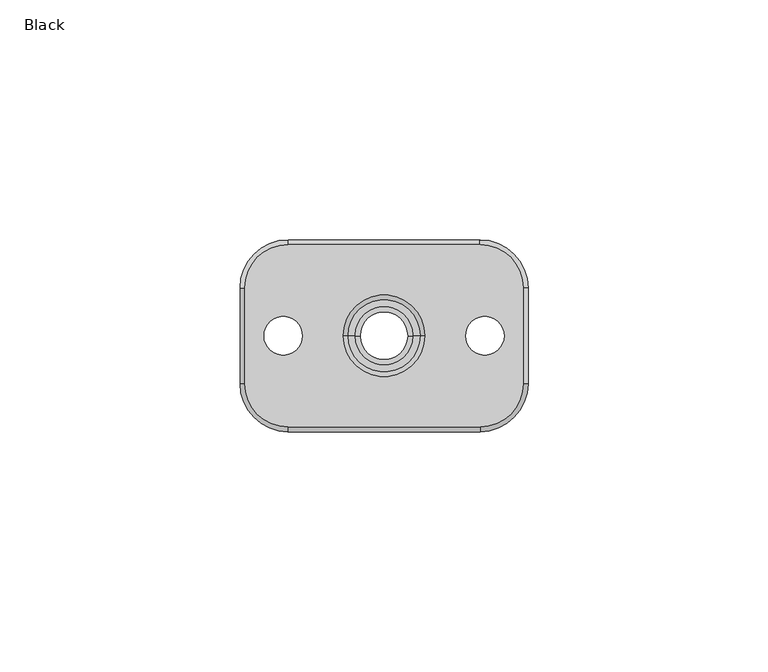
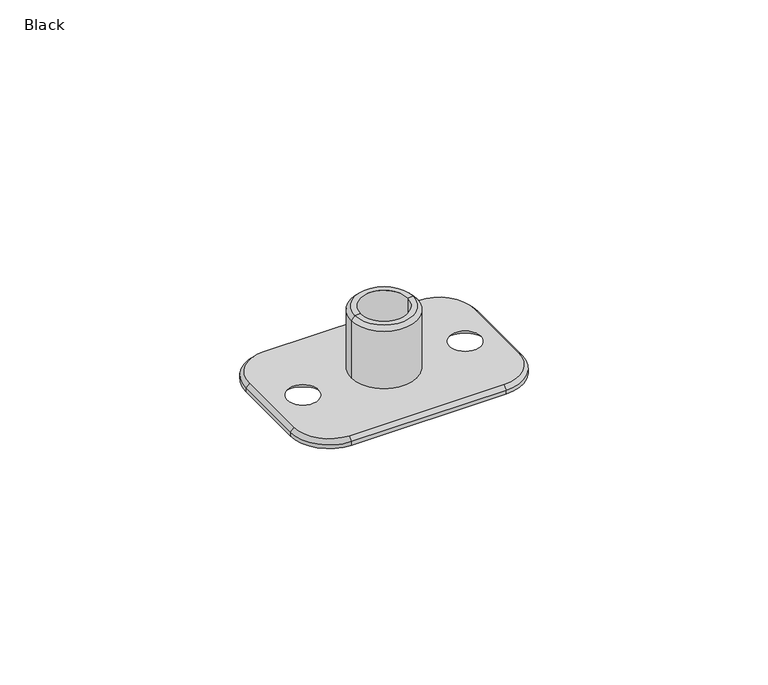
"""IFC4 building model written with IfcOpenShell, lengths in millimetres: proxy geometry, Black."""

from ifc_helpers import new_model, si_unit, frame, origin, place, context, project, spatial, polyline, circle_curve, source, transform, mapped, element, save
from ifc_brep_helpers import plane_surface, cylinder_surface, revolved_surface, advanced_brep


def black_4573cb2e(model_context):
    return source(origin(), model_context, "Body", "AdvancedBrep", [
        advanced_brep(
        [(-29.0, -10.0, 0.0), (-20.0, -19.0, 0.0), (20.0, -19.0, 0.0), (29.0, -10.0, 0.0), (29.0, 10.0, 0.0), (20.0, 19.0, 0.0), (-20.0, 19.0, 0.0), (-29.0, 10.0, 0.0), (5.0, 0.0, 0.0), (-5.0, 0.0, 0.0), (-25.0, 0.0, 0.0), (-17.0, 0.0, 0.0), (17.0, 0.0, 0.0), (25.0, 0.0, 0.0), (20.0, -20.0, -2.0), (-20.0, -20.0, -2.0), (-30.0, -10.0, -2.0), (-30.0, 10.0, -2.0), (-20.0, 20.0, -2.0), (20.0, 20.0, -2.0), (30.0, 10.0, -2.0), (30.0, -10.0, -2.0), (-5.0, 0.0, -2.0), (5.0, 0.0, -2.0), (-15.0, 0.0, -2.0), (-27.0, 0.0, -2.0), (27.0, 0.0, -2.0), (15.0, 0.0, -2.0), (30.0, -10.0, -1.0), (20.0, -20.0, -1.0), (30.0, 10.0, -1.0), (20.0, 20.0, -1.0), (-20.0, 20.0, -1.0), (-30.0, 10.0, -1.0), (-30.0, -10.0, -1.0), (-20.0, -20.0, -1.0)],
        [
            (0, 1, circle_curve(frame((-20.0, -10.0, 0.0), z_axis=(0.0, 0.0, 1.0), x_axis=(-1.0, 0.0, 0.0)), 9.0)),
            (1, 2),
            (2, 3, circle_curve(frame((20.0, -10.0, 0.0), z_axis=(0.0, 0.0, 1.0), x_axis=(0.0, -1.0, 0.0)), 9.0)),
            (3, 4),
            (4, 5, circle_curve(frame((20.0, 10.0, 0.0), z_axis=(0.0, 0.0, 1.0), x_axis=(1.0, 0.0, 0.0)), 9.0)),
            (5, 6),
            (6, 7, circle_curve(frame((-20.0, 10.0, 0.0), z_axis=(0.0, 0.0, 1.0), x_axis=(0.0, 1.0, 0.0)), 9.0)),
            (7, 0),
            (8, 9, circle_curve(frame((0.0, 0.0, 0.0), z_axis=(0.0, 0.0, -1.0), x_axis=(1.0, 0.0, 0.0)), 5.0)),
            (9, 8, circle_curve(frame((0.0, 0.0, 0.0), z_axis=(0.0, 0.0, -1.0), x_axis=(1.0, 0.0, 0.0)), 5.0)),
            (10, 11, circle_curve(frame((-21.0, 0.0, 0.0), z_axis=(0.0, 0.0, -1.0), x_axis=(-1.0, 0.0, 0.0)), 4.0)),
            (11, 10, circle_curve(frame((-21.0, 0.0, 0.0), z_axis=(0.0, 0.0, -1.0), x_axis=(-1.0, 0.0, 0.0)), 4.0)),
            (12, 13, circle_curve(frame((21.0, 0.0, 0.0), z_axis=(0.0, 0.0, -1.0), x_axis=(1.0, 0.0, 0.0)), 4.0)),
            (13, 12, circle_curve(frame((21.0, 0.0, 0.0), z_axis=(0.0, 0.0, -1.0), x_axis=(1.0, 0.0, 0.0)), 4.0)),
            (14, 15),
            (15, 16, circle_curve(frame((-20.0, -10.0, -2.0), z_axis=(0.0, 0.0, -1.0), x_axis=(1.0, 0.0, 0.0)), 10.0)),
            (16, 17),
            (17, 18, circle_curve(frame((-20.0, 10.0, -2.0), z_axis=(0.0, 0.0, -1.0), x_axis=(1.0, 0.0, 0.0)), 10.0)),
            (18, 19),
            (19, 20, circle_curve(frame((20.0, 10.0, -2.0), z_axis=(0.0, 0.0, -1.0), x_axis=(1.0, 0.0, 0.0)), 10.0)),
            (20, 21),
            (21, 14, circle_curve(frame((20.0, -10.0, -2.0), z_axis=(0.0, 0.0, -1.0), x_axis=(1.0, 0.0, 0.0)), 10.0)),
            (22, 23, circle_curve(frame((0.0, 0.0, -2.0), z_axis=(0.0, 0.0, 1.0), x_axis=(1.0, 0.0, 0.0)), 5.0)),
            (23, 22, circle_curve(frame((0.0, 0.0, -2.0), z_axis=(0.0, 0.0, 1.0), x_axis=(1.0, 0.0, 0.0)), 5.0)),
            (24, 25, circle_curve(frame((-21.0, 0.0, -2.0), z_axis=(0.0, 0.0, 1.0), x_axis=(-1.0, 0.0, 0.0)), 6.0)),
            (25, 24, circle_curve(frame((-21.0, 0.0, -2.0), z_axis=(0.0, 0.0, 1.0), x_axis=(-1.0, 0.0, 0.0)), 6.0)),
            (26, 27, circle_curve(frame((21.0, 0.0, -2.0), z_axis=(0.0, 0.0, 1.0), x_axis=(1.0, 0.0, 0.0)), 6.0)),
            (27, 26, circle_curve(frame((21.0, 0.0, -2.0), z_axis=(0.0, 0.0, 1.0), x_axis=(1.0, 0.0, 0.0)), 6.0)),
            (21, 28),
            (28, 29, circle_curve(frame((20.0, -10.0, -1.0), z_axis=(0.0, 0.0, -1.0), x_axis=(1.0, 0.0, 0.0)), 10.0)),
            (29, 14),
            (20, 30),
            (30, 28),
            (19, 31),
            (31, 30, circle_curve(frame((20.0, 10.0, -1.0), z_axis=(0.0, 0.0, -1.0), x_axis=(1.0, 0.0, 0.0)), 10.0)),
            (18, 32),
            (32, 31),
            (17, 33),
            (33, 32, circle_curve(frame((-20.0, 10.0, -1.0), z_axis=(0.0, 0.0, -1.0), x_axis=(1.0, 0.0, 0.0)), 10.0)),
            (16, 34),
            (34, 33),
            (15, 35),
            (35, 34, circle_curve(frame((-20.0, -10.0, -1.0), z_axis=(0.0, 0.0, -1.0), x_axis=(1.0, 0.0, 0.0)), 10.0)),
            (29, 35),
            (8, 23),
            (22, 9),
            (24, 11),
            (10, 25),
            (12, 27),
            (26, 13),
            (35, 1),
            (0, 34),
            (29, 2),
            (28, 3),
            (30, 4),
            (31, 5),
            (32, 6),
            (33, 7),
        ],
        [
            plane_surface(frame((30.0, -10.0, 0.0), z_axis=(0.0, 0.0, 1.0), x_axis=(0.0, 1.0, 0.0))),
            plane_surface(frame((30.0, -10.0, -2.0), z_axis=(0.0, 0.0, -1.0), x_axis=(0.0, -1.0, 0.0))),
            cylinder_surface(frame((20.0, -10.0, -2.0), z_axis=(0.0, 0.0, 1.0), x_axis=(1.0, 0.0, 0.0)), 10.0),
            plane_surface(frame((30.0, -10.0, 0.0), z_axis=(1.0, 0.0, 0.0), x_axis=(0.0, 0.0, -1.0))),
            cylinder_surface(frame((20.0, 10.0, -2.0), z_axis=(0.0, 0.0, 1.0), x_axis=(1.0, 0.0, 0.0)), 10.0),
            plane_surface(frame((20.0, 20.0, 0.0), z_axis=(0.0, 1.0, 0.0), x_axis=(0.0, 0.0, -1.0))),
            cylinder_surface(frame((-20.0, 10.0, -2.0), z_axis=(0.0, 0.0, 1.0), x_axis=(1.0, 0.0, 0.0)), 10.0),
            plane_surface(frame((-30.0, 10.0, 0.0), z_axis=(-1.0, 0.0, 0.0), x_axis=(0.0, 0.0, -1.0))),
            cylinder_surface(frame((-20.0, -10.0, -2.0), z_axis=(0.0, 0.0, 1.0), x_axis=(1.0, 0.0, 0.0)), 10.0),
            plane_surface(frame((-20.0, -20.0, 0.0), z_axis=(0.0, -1.0, 0.0), x_axis=(0.0, 0.0, -1.0))),
            revolved_surface(polyline([(5.0, 0.0, 0.0), (5.0, 0.0, -2.0)]), (0.0, 0.0, -2.0), (0.0, 0.0, 1.0)),
            revolved_surface(polyline([(-27.0, 0.0, -2.0), (-25.0, 0.0, 0.0)]), (-21.0, 0.0, 0.0), (0.0, 0.0, -1.0)),
            revolved_surface(polyline([(25.0, 0.0, 0.0), (27.0, 0.0, -2.0)]), (21.0, 0.0, 0.0), (0.0, 0.0, 1.0)),
            revolved_surface(polyline([(-30.0, -10.0, -1.0), (-29.0, -10.0, 0.0)]), (-20.0, -10.0, 0.0), (0.0, 0.0, 1.0)),
            plane_surface(frame((-20.0, -19.0, 0.0), z_axis=(0.0, -0.7071067811865466, 0.7071067811865485), x_axis=(1.0, 0.0, 0.0))),
            revolved_surface(polyline([(20.0, -20.0, -1.0), (20.0, -19.0, 0.0)]), (20.0, -10.0, 0.0), (0.0, 0.0, 1.0)),
            plane_surface(frame((29.0, -10.0, 0.0), z_axis=(0.7071067811865466, 0.0, 0.7071067811865485), x_axis=(0.0, 1.0, 0.0))),
            revolved_surface(polyline([(30.0, 10.0, -1.0), (29.0, 10.0, 0.0)]), (20.0, 10.0, 0.0), (0.0, 0.0, 1.0)),
            plane_surface(frame((20.0, 19.0, 0.0), z_axis=(0.0, 0.7071067811865466, 0.7071067811865485), x_axis=(-1.0, 0.0, 0.0))),
            revolved_surface(polyline([(-20.0, 20.0, -1.0), (-20.0, 19.0, 0.0)]), (-20.0, 10.0, 0.0), (0.0, 0.0, 1.0)),
            plane_surface(frame((-29.0, 10.0, 0.0), z_axis=(-0.7071067811865466, 0.0, 0.7071067811865485), x_axis=(0.0, -1.0, 0.0))),
        ],
        [
            (0, [[1, 2, 3, 4, 5, 6, 7, 8], [9, 10], [11, 12], [13, 14]]),
            (1, [[15, 16, 17, 18, 19, 20, 21, 22], [23, 24], [25, 26], [27, 28]]),
            (2, [[-22, 29, 30, 31]]),
            (3, [[-21, 32, 33, -29]]),
            (4, [[-20, 34, 35, -32]]),
            (5, [[-19, 36, 37, -34]]),
            (6, [[-18, 38, 39, -36]]),
            (7, [[-17, 40, 41, -38]]),
            (8, [[-16, 42, 43, -40]]),
            (9, [[-15, -31, 44, -42]]),
            (10, [[45, -23, 46, -9]]),
            (10, [[-45, -10, -46, -24]]),
            (11, [[47, -11, 48, -25]]),
            (11, [[-47, -26, -48, -12]]),
            (12, [[49, -27, 50, -13]]),
            (12, [[-49, -14, -50, -28]]),
            (13, [[51, -1, 52, -43]]),
            (14, [[-51, -44, 53, -2]]),
            (15, [[-53, -30, 54, -3]]),
            (16, [[-54, -33, 55, -4]]),
            (17, [[-55, -35, 56, -5]]),
            (18, [[-56, -37, 57, -6]]),
            (19, [[-57, -39, 58, -7]]),
            (20, [[-52, -8, -58, -41]]),
        ],
    ),
        advanced_brep(
        [(6.1, 0.0, -2.0), (-6.1, 0.0, -2.0), (-6.1, 0.0, 4.0), (6.1, 0.0, 4.0), (8.0, 0.0, -2.0), (-8.0, 0.0, -2.0), (8.0, 0.0, -3.0), (-8.0, 0.0, -3.0), (5.0, 0.0, -3.0), (-5.0, 0.0, -3.0), (5.0, 0.0, 4.0), (-5.0, 0.0, 4.0)],
        [
            (0, 1, circle_curve(frame((0.0, 0.0, -2.0), z_axis=(0.0, 0.0, 1.0), x_axis=(-1.0, 0.0, 0.0)), 6.1)),
            (1, 2),
            (2, 3, circle_curve(frame((0.0, 0.0, 4.0), z_axis=(0.0, 0.0, -1.0), x_axis=(-1.0, 0.0, 0.0)), 6.1)),
            (3, 0),
            (1, 0, circle_curve(frame((0.0, 0.0, -2.0), z_axis=(0.0, 0.0, 1.0), x_axis=(-1.0, 0.0, 0.0)), 6.1)),
            (3, 2, circle_curve(frame((0.0, 0.0, 4.0), z_axis=(0.0, 0.0, -1.0), x_axis=(-1.0, 0.0, 0.0)), 6.1)),
            (4, 5, circle_curve(frame((0.0, 0.0, -2.0), z_axis=(0.0, 0.0, 1.0), x_axis=(-1.0, 0.0, 0.0)), 8.0)),
            (5, 1),
            (0, 4),
            (5, 4, circle_curve(frame((0.0, 0.0, -2.0), z_axis=(0.0, 0.0, 1.0), x_axis=(-1.0, 0.0, 0.0)), 8.0)),
            (6, 7, circle_curve(frame((0.0, 0.0, -3.0), z_axis=(0.0, 0.0, 1.0), x_axis=(-1.0, 0.0, 0.0)), 8.0)),
            (7, 5),
            (4, 6),
            (7, 6, circle_curve(frame((0.0, 0.0, -3.0), z_axis=(0.0, 0.0, 1.0), x_axis=(-1.0, 0.0, 0.0)), 8.0)),
            (8, 9, circle_curve(frame((0.0, 0.0, -3.0), z_axis=(0.0, 0.0, 1.0), x_axis=(-1.0, 0.0, 0.0)), 5.0)),
            (9, 7),
            (6, 8),
            (9, 8, circle_curve(frame((0.0, 0.0, -3.0), z_axis=(0.0, 0.0, 1.0), x_axis=(-1.0, 0.0, 0.0)), 5.0)),
            (10, 11, circle_curve(frame((0.0, 0.0, 4.0), z_axis=(0.0, 0.0, 1.0), x_axis=(-1.0, 0.0, 0.0)), 5.0)),
            (11, 9),
            (8, 10),
            (11, 10, circle_curve(frame((0.0, 0.0, 4.0), z_axis=(0.0, 0.0, 1.0), x_axis=(-1.0, 0.0, 0.0)), 5.0)),
            (2, 11),
            (10, 3),
        ],
        [
            cylinder_surface(frame((0.0, 0.0, 4.5433419), z_axis=(0.0, 0.0, -1.0), x_axis=(-1.0, 0.0, 0.0)), 6.1),
            plane_surface(frame((0.0, 0.0, -2.0), z_axis=(0.0, 0.0, 1.0), x_axis=(-1.0, 0.0, 0.0))),
            cylinder_surface(frame((0.0, 0.0, 4.5433419), z_axis=(0.0, 0.0, -1.0), x_axis=(-1.0, 0.0, 0.0)), 8.0),
            plane_surface(frame((0.0, 0.0, -3.0), z_axis=(0.0, 0.0, -1.0), x_axis=(-1.0, 0.0, 0.0))),
            revolved_surface(polyline([(-5.0, 0.0, -3.0), (-5.0, 0.0, 4.0)]), (0.0, 0.0, 4.5433419), (0.0, 0.0, -1.0)),
            plane_surface(frame((0.0, 0.0, 4.0), z_axis=(0.0, 0.0, 1.0), x_axis=(-1.0, 0.0, 0.0))),
        ],
        [
            (0, [[1, 2, 3, 4]]),
            (0, [[5, -4, 6, -2]]),
            (1, [[7, 8, -1, 9]]),
            (1, [[10, -9, -5, -8]]),
            (2, [[11, 12, -7, 13]]),
            (2, [[14, -13, -10, -12]]),
            (3, [[15, 16, -11, 17]]),
            (3, [[18, -17, -14, -16]]),
            (4, [[19, 20, -15, 21]]),
            (4, [[22, -21, -18, -20]]),
            (5, [[-3, 23, -19, 24]]),
            (5, [[-6, -24, -22, -23]]),
        ],
    ),
        advanced_brep(
        [(7.5, 0.0, 17.0), (-7.5, 0.0, 17.0), (-6.1, 0.0, 17.0), (6.1, 0.0, 17.0), (8.5, 0.0, 16.0), (-8.5, 0.0, 16.0), (8.5, 0.0, 0.0), (-8.5, 0.0, 0.0), (6.1, 0.0, 0.0), (-6.1, 0.0, 0.0)],
        [
            (0, 1, circle_curve(frame((0.0, 0.0, 17.0), z_axis=(0.0, 0.0, 1.0), x_axis=(-1.0, 0.0, 0.0)), 7.5)),
            (1, 2),
            (2, 3, circle_curve(frame((0.0, 0.0, 17.0), z_axis=(0.0, 0.0, -1.0), x_axis=(-1.0, 0.0, 0.0)), 6.1)),
            (3, 0),
            (1, 0, circle_curve(frame((0.0, 0.0, 17.0), z_axis=(0.0, 0.0, 1.0), x_axis=(-1.0, 0.0, 0.0)), 7.5)),
            (3, 2, circle_curve(frame((0.0, 0.0, 17.0), z_axis=(0.0, 0.0, -1.0), x_axis=(-1.0, 0.0, 0.0)), 6.1)),
            (4, 5, circle_curve(frame((0.0, 0.0, 16.0), z_axis=(0.0, 0.0, 1.0), x_axis=(-1.0, 0.0, 0.0)), 8.5)),
            (5, 1),
            (0, 4),
            (5, 4, circle_curve(frame((0.0, 0.0, 16.0), z_axis=(0.0, 0.0, 1.0), x_axis=(-1.0, 0.0, 0.0)), 8.5)),
            (6, 7, circle_curve(frame((0.0, 0.0, 0.0), z_axis=(0.0, 0.0, 1.0), x_axis=(-1.0, 0.0, 0.0)), 8.5)),
            (7, 5),
            (4, 6),
            (7, 6, circle_curve(frame((0.0, 0.0, 0.0), z_axis=(0.0, 0.0, 1.0), x_axis=(-1.0, 0.0, 0.0)), 8.5)),
            (8, 9, circle_curve(frame((0.0, 0.0, 0.0), z_axis=(0.0, 0.0, 1.0), x_axis=(-1.0, 0.0, 0.0)), 6.1)),
            (9, 7),
            (6, 8),
            (9, 8, circle_curve(frame((0.0, 0.0, 0.0), z_axis=(0.0, 0.0, 1.0), x_axis=(-1.0, 0.0, 0.0)), 6.1)),
            (2, 9),
            (8, 3),
        ],
        [
            plane_surface(frame((0.0, 0.0, 17.0), z_axis=(0.0, 0.0, 1.0), x_axis=(-1.0, 0.0, 0.0))),
            revolved_surface(polyline([(-7.5, 0.0, 17.0), (-8.5, 0.0, 16.0)]), (0.0, 0.0, 18.1598968), (0.0, 0.0, -1.0)),
            cylinder_surface(frame((0.0, 0.0, 18.1598968), z_axis=(0.0, 0.0, -1.0), x_axis=(-1.0, 0.0, 0.0)), 8.5),
            plane_surface(frame((0.0, 0.0, 0.0), z_axis=(0.0, 0.0, -1.0), x_axis=(-1.0, 0.0, 0.0))),
            revolved_surface(polyline([(-6.1, 0.0, 0.0), (-6.1, 0.0, 17.0)]), (0.0, 0.0, 18.1598968), (0.0, 0.0, -1.0)),
        ],
        [
            (0, [[1, 2, 3, 4]]),
            (0, [[5, -4, 6, -2]]),
            (1, [[7, 8, -1, 9]]),
            (1, [[10, -9, -5, -8]]),
            (2, [[11, 12, -7, 13]]),
            (2, [[14, -13, -10, -12]]),
            (3, [[15, 16, -11, 17]]),
            (3, [[18, -17, -14, -16]]),
            (4, [[-3, 19, -15, 20]]),
            (4, [[-6, -20, -18, -19]]),
        ],
    ),
    ])


if __name__ == "__main__":
    model = new_model("IFC4")
    model_context = context("Model", 3, world=origin())
    ifc_project = project(units=[si_unit("LENGTHUNIT", "METRE", prefix="MILLI")], contexts=[model_context])
    site = spatial("IfcSite", under=ifc_project)
    building = spatial("IfcBuilding", under=site)
    placement = place(None, origin())
    black_shape = black_4573cb2e(model_context)
    element("IfcBuildingElementProxy", 1, Name="Black", ObjectType="Black", at=placement, inside=building, context=model_context, shape_type="MappedRepresentation", body=[
        mapped(black_shape, transform((0.0, 0.0, 0.0), x_axis=(1.0, 0.0, 0.0), y_axis=(0.0, 1.0, 0.0), z_axis=(0.0, 0.0, 1.0))),
    ])
    save(model, "model.ifc")
